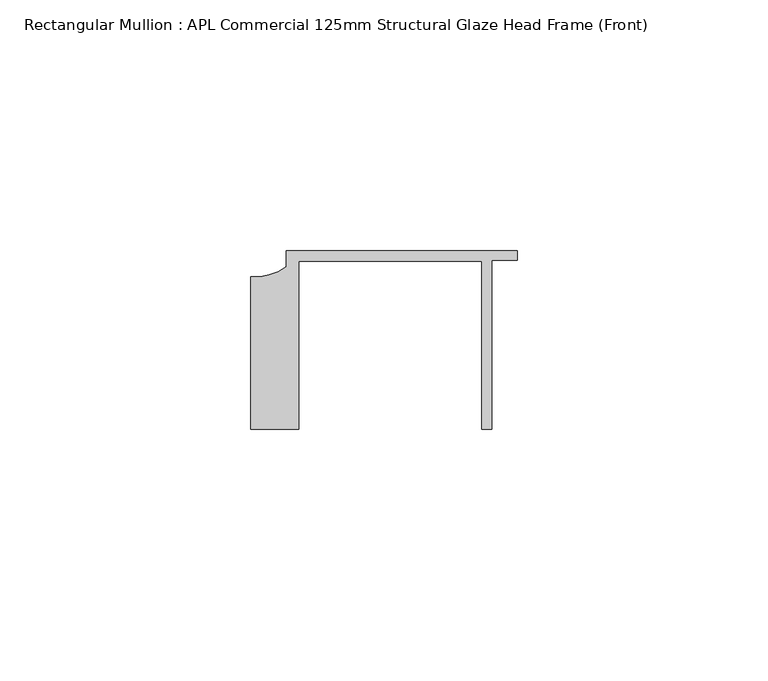
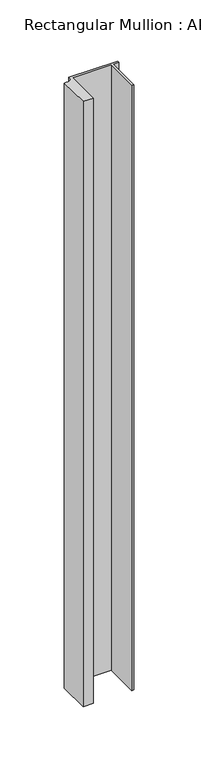
"""IFC4 building model written with IfcOpenShell, lengths in millimetres: member geometry, Rectangular Mullion : APL Commercial 125mm Structural Glaze Head Frame (Front)."""

from ifc_helpers import new_model, si_unit, point, frame, frame_2d, origin, place, context, project, spatial, polyline, circle_curve, trimmed, segment, composite_curve, outline, extrude, source, transform, mapped, element, save


def rectangular_mullion_apl_commercial_125mm_structural_glaze_f8769ae2(model_context):
    return source(origin(), model_context, "Body", "SweptSolid", [
        extrude(outline(composite_curve([segment(polyline([(-52.9999542, -15.0), (-52.9999542, 15.3798304)]), True, "CONTINUOUS"), segment(trimmed(circle_curve(frame_2d((-52.109817, 25.7982641)), 10.4563907), [point((-52.9999542, 15.3798304))], [point((-45.9999994, 17.3126154))], True, "CARTESIAN"), True, "CONTINUOUS"), segment(polyline([(-45.9999994, 17.3126154), (-45.9999994, 20.5002486), (0.0, 20.5002486), (0.0, 18.7002486), (-5.0, 18.7002486), (-5.0, -15.0), (-7.0, -15.0), (-7.0, 18.5002486), (-43.5000151, 18.5002486), (-43.5000151, -15.0), (-52.9999542, -15.0)]), True, "CONTINUOUS")], self_intersect=False)), frame((0.0, 0.0, -603.0000609), z_axis=(0.0, 0.0, 1.0), x_axis=(1.0, 0.0, 0.0)), (0.0, 0.0, 1.0), 603.0000609),
    ])


if __name__ == "__main__":
    model = new_model("IFC4")
    model_context = context("Model", 3, world=origin())
    ifc_project = project(units=[si_unit("LENGTHUNIT", "METRE", prefix="MILLI")], contexts=[model_context])
    site = spatial("IfcSite", under=ifc_project)
    building = spatial("IfcBuilding", under=site)
    placement = place(None, origin())
    rectangular_mullion_apl_commercial_125mm_structural_glaze_shape = rectangular_mullion_apl_commercial_125mm_structural_glaze_f8769ae2(model_context)
    element("IfcMember", 1, ObjectType="Rectangular Mullion : APL Commercial 125mm Structural Glaze Head Frame (Front)", at=placement, inside=building, context=model_context, shape_type="MappedRepresentation", body=[
        mapped(rectangular_mullion_apl_commercial_125mm_structural_glaze_shape, transform((0.0, 0.0, 0.0), x_axis=(1.0, 0.0, 0.0), y_axis=(0.0, 1.0, 0.0), z_axis=(0.0, 0.0, 1.0))),
    ])
    save(model, "model.ifc")
